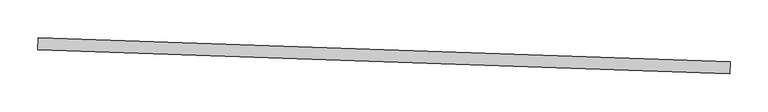
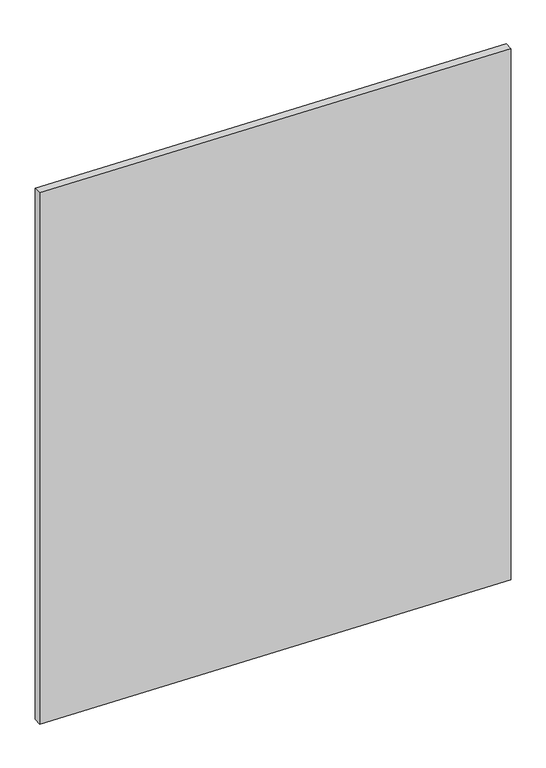
"""IFC4 building model written with IfcOpenShell, lengths in millimetres: proxy geometry."""

import ifcopenshell
import ifcopenshell.guid

model = None  # the IFC model being written
_history = None  # IfcOwnerHistory: only IFC2X3 demands one
_inside = {}  # id of a spatial element -> (the spatial element, [elements in it])
_under = {}  # id of a project, library or spatial element -> (it, [spatial elements below it])
_declared = {}  # id of a project -> (the project, [libraries it declares])
_typed = {}  # id of a type object -> (the type object, [elements of that type])
_made_of = {}  # id of a material, layer set ... -> (it, [elements and type objects made of it])


def new_model(schema):
    """Start an empty IFC model of exactly this schema.

    Asked for "IFC4X3", IfcOpenShell would pick the latest addendum, in which some entities
    have other attributes; the version numbers below select the first issue.
    IFC2X3 requires an IfcOwnerHistory on every rooted entity: one is made here for all.
    """
    global model, _history
    if schema == "IFC4X3":
        model = ifcopenshell.file(schema_version=(4, 3, 0, 0))
    else:
        model = ifcopenshell.file(schema=schema)
    _inside.clear()
    _under.clear()
    _declared.clear()
    _typed.clear()
    _made_of.clear()
    _history = None
    if model.schema == "IFC2X3":
        org = make("IfcOrganization", Name="unknown")
        user = make(
            "IfcPersonAndOrganization",
            ThePerson=make("IfcPerson", FamilyName="unknown"),
            TheOrganization=org,
        )
        app = make(
            "IfcApplication",
            ApplicationDeveloper=org,
            Version="unknown",
            ApplicationFullName="unknown",
            ApplicationIdentifier="unknown",
        )
        _history = make(
            "IfcOwnerHistory",
            OwningUser=user,
            OwningApplication=app,
            ChangeAction="ADDED",
            CreationDate=0,
        )
    return model


def make(cls, **values):
    """One entity of the class cls with the attributes given. An attribute that is None is left unset."""
    return model.create_entity(
        cls, **{name: value for name, value in values.items() if value is not None}
    )


def rooted(cls, **values):
    """An entity with a GlobalId (a new one), such as an element, a storey or a relation."""
    return make(cls, GlobalId=ifcopenshell.guid.new(), OwnerHistory=_history, **values)


def si_unit(unit_type, name, prefix=None):
    """IfcSIUnit, for example si_unit("LENGTHUNIT", "METRE", prefix="MILLI")."""
    return make("IfcSIUnit", UnitType=unit_type, Prefix=prefix, Name=name)


def assignment(units):
    """IfcUnitAssignment: the units of a project."""
    return None if units is None else make("IfcUnitAssignment", Units=units)


def point(xyz):
    """IfcCartesianPoint."""
    return None if xyz is None else make("IfcCartesianPoint", Coordinates=xyz)


def direction(xyz):
    """IfcDirection."""
    return None if xyz is None else make("IfcDirection", DirectionRatios=xyz)


def frame(location, z_axis=None, x_axis=None):
    """IfcAxis2Placement3D, a coordinate frame: its origin and axes. An axis left out is left unset."""
    return make(
        "IfcAxis2Placement3D",
        Location=point(location),
        Axis=direction(z_axis),
        RefDirection=direction(x_axis),
    )


def origin():
    """The frame at (0, 0, 0) with its axes left unset."""
    return frame((0.0, 0.0, 0.0))


def place(relative_to, where):
    """IfcLocalPlacement: puts the frame where relative to a parent placement (None: the world)."""
    return make(
        "IfcLocalPlacement", PlacementRelTo=relative_to, RelativePlacement=where
    )


def context(
    kind, dimensions, precision=None, world=None, true_north=None, identifier=None
):
    """IfcGeometricRepresentationContext, for example the 3D "Model" context."""
    return make(
        "IfcGeometricRepresentationContext",
        ContextIdentifier=identifier,
        ContextType=kind,
        CoordinateSpaceDimension=dimensions,
        Precision=precision,
        WorldCoordinateSystem=world,
        TrueNorth=true_north,
    )


def project(units=None, contexts=None):
    """IfcProject with its units and contexts."""
    return rooted(
        "IfcProject",
        Name="project",
        RepresentationContexts=contexts,
        UnitsInContext=assignment(units),
    )


def spatial(cls, under=None, at=None, **own):
    """A site, building, storey or space (cls), placed at a placement, below another one or the project."""
    s = rooted(cls, ObjectPlacement=at, **own)
    if under is not None:
        _under.setdefault(under.id(), (under, []))[1].append(s)
    return s


def polyline(points):
    """IfcPolyline through the points."""
    return make("IfcPolyline", Points=[point(p) for p in points])


def outline(outer, holes=None, kind="AREA"):
    """IfcArbitraryClosedProfileDef: a profile drawn as a closed curve; with holes, ...WithVoids."""
    if holes is None:
        return make("IfcArbitraryClosedProfileDef", ProfileType=kind, OuterCurve=outer)
    return make(
        "IfcArbitraryProfileDefWithVoids",
        ProfileType=kind,
        OuterCurve=outer,
        InnerCurves=holes,
    )


def extrude(swept, where, along, depth):
    """IfcExtrudedAreaSolid: the profile swept, set in the frame where, extruded along a direction by depth."""
    return make(
        "IfcExtrudedAreaSolid",
        SweptArea=swept,
        Position=where,
        ExtrudedDirection=direction(along),
        Depth=depth,
    )


def shape(context_of_items, identifier, shape_type, items):
    """IfcShapeRepresentation: the items that make up one representation, for example the "Body"."""
    return make(
        "IfcShapeRepresentation",
        ContextOfItems=context_of_items,
        RepresentationIdentifier=identifier,
        RepresentationType=shape_type,
        Items=items,
    )


def source(mapping_origin, context_of_items, identifier, shape_type, items):
    """IfcRepresentationMap: a shape defined once, which mapped items show again and again."""
    return make(
        "IfcRepresentationMap",
        MappingOrigin=mapping_origin,
        MappedRepresentation=shape(context_of_items, identifier, shape_type, items),
    )


def transform(
    local_origin,
    x_axis=None,
    y_axis=None,
    z_axis=None,
    scale=None,
    scale2=None,
    scale3=None,
    uniform=True,
):
    """IfcCartesianTransformationOperator3D, or its non-uniform kind. x_axis, y_axis, z_axis: its Axis1, 2, 3."""
    if uniform:
        return make(
            "IfcCartesianTransformationOperator3D",
            Axis1=direction(x_axis),
            Axis2=direction(y_axis),
            LocalOrigin=point(local_origin),
            Scale=scale,
            Axis3=direction(z_axis),
        )
    return make(
        "IfcCartesianTransformationOperator3DnonUniform",
        Axis1=direction(x_axis),
        Axis2=direction(y_axis),
        LocalOrigin=point(local_origin),
        Scale=scale,
        Axis3=direction(z_axis),
        Scale2=scale2,
        Scale3=scale3,
    )


def mapped(mapping_source, mapping_target):
    """IfcMappedItem: shows the shape of a source again, moved by a transform."""
    return make(
        "IfcMappedItem", MappingSource=mapping_source, MappingTarget=mapping_target
    )


def made_of(thing, what):
    """Note that an element or type object is made of a material, layer set ...; save() writes the relation."""
    if what is not None:
        _made_of.setdefault(what.id(), (what, []))[1].append(thing)
    return thing


def element(
    cls,
    number,
    at=None,
    inside=None,
    cuts=None,
    type_object=None,
    material=None,
    context=None,
    identifier="Body",
    shape_type=None,
    held_by="IfcProductDefinitionShape",
    body=None,
    shapes=None,
    **own,
):
    """One element of the class cls, such as IfcWall. Its Tag is "e" and its number.

    at: its placement. inside: the storey or other place that contains it. cuts: it is an
    opening in that element (IfcRelVoidsElement). A single representation is given by context,
    identifier, shape_type and body (its items); several are given by shapes. held_by: the class
    of the entity that holds the representations. save() writes the other relations.
    """
    e = rooted(cls, Tag="e%d" % number, ObjectPlacement=at, **own)
    if body is not None:
        shapes = [shape(context, identifier, shape_type, body)]
    if shapes is not None:
        e.Representation = make(held_by, Representations=shapes)
    if inside is not None:
        _inside.setdefault(inside.id(), (inside, []))[1].append(e)
    if cuts is not None:
        rooted(
            "IfcRelVoidsElement", RelatingBuildingElement=cuts, RelatedOpeningElement=e
        )
    if type_object is not None:
        _typed.setdefault(type_object.id(), (type_object, []))[1].append(e)
    return made_of(e, material)


def aggregate(whole, parts):
    """IfcRelAggregates: a whole, such as a stair, and the parts it consists of."""
    return rooted("IfcRelAggregates", RelatingObject=whole, RelatedObjects=parts)


def save(model, path):
    """Write the relations noted so far, then the file.

    IfcRelAggregates (storeys below a building ...), IfcRelContainedInSpatialStructure (elements
    in a storey), IfcRelDefinesByType, IfcRelAssociatesMaterial and IfcRelDeclares: one each for
    every whole, place, type object, material and project.
    """
    for whole, parts in _under.values():
        aggregate(whole, parts)
    for where, things in _inside.values():
        rooted(
            "IfcRelContainedInSpatialStructure",
            RelatedElements=things,
            RelatingStructure=where,
        )
    for kind, things in _typed.values():
        rooted("IfcRelDefinesByType", RelatedObjects=things, RelatingType=kind)
    for what, things in _made_of.values():
        rooted("IfcRelAssociatesMaterial", RelatedObjects=things, RelatingMaterial=what)
    for by, libraries in _declared.values():
        rooted("IfcRelDeclares", RelatingContext=by, RelatedDefinitions=libraries)
    model.write(path)


def generic_models_581cab3a(model_context):
    return source(origin(), model_context, "Body", "SweptSolid", [
        extrude(outline(polyline([(0.0, -15.875), (0.0, 0.0), (914.3999999, -1e-07), (914.3999999, -15.8750001), (0.0, -15.875)])), frame((34376.0165048, -14843.9516559, 2992.5215543), z_axis=(-9.521670210589058e-09, 3.257804737395209e-10, 1.0), x_axis=(-0.9994149479166325, 0.03420178183654812, -9.527241810284662e-09)), (0.0, 0.0, 1.0), 1109.5785465),
    ])


if __name__ == "__main__":
    model = new_model("IFC4")
    model_context = context("Model", 3, world=origin())
    ifc_project = project(units=[si_unit("LENGTHUNIT", "METRE", prefix="MILLI")], contexts=[model_context])
    site = spatial("IfcSite", under=ifc_project)
    building = spatial("IfcBuilding", under=site)
    placement = place(None, origin())
    generic_models_shape = generic_models_581cab3a(model_context)
    element("IfcBuildingElementProxy", 1, Name="Generic Models", at=placement, inside=building, context=model_context, shape_type="MappedRepresentation", body=[
        mapped(generic_models_shape, transform((0.0, 0.0, 0.0), x_axis=(1.0, 0.0, 0.0), y_axis=(0.0, 1.0, 0.0), z_axis=(0.0, 0.0, 1.0))),
    ])
    save(model, "model.ifc")
